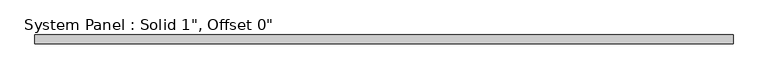
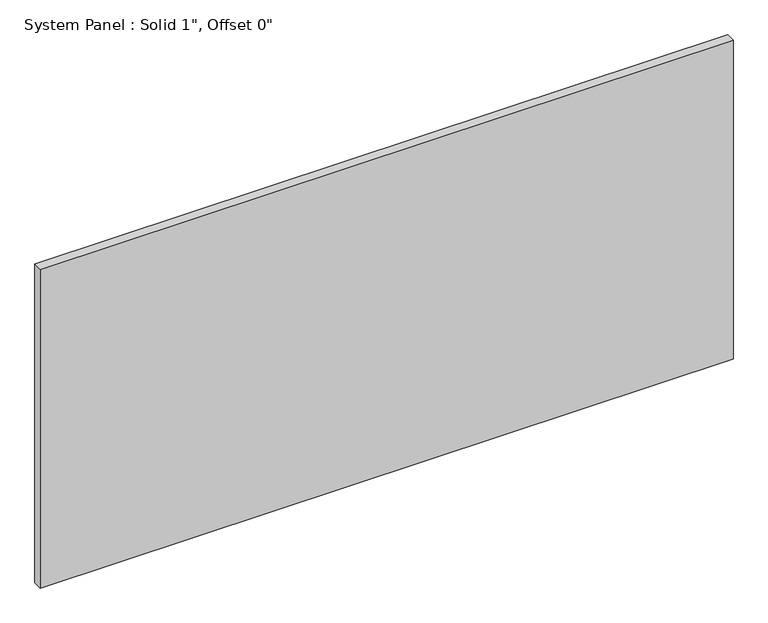
"""IFC4 building model written with IfcOpenShell, lengths in millimetres: plate geometry."""

import ifcopenshell
import ifcopenshell.guid

model = None  # the IFC model being written
_history = None  # IfcOwnerHistory: only IFC2X3 demands one
_inside = {}  # id of a spatial element -> (the spatial element, [elements in it])
_under = {}  # id of a project, library or spatial element -> (it, [spatial elements below it])
_declared = {}  # id of a project -> (the project, [libraries it declares])
_typed = {}  # id of a type object -> (the type object, [elements of that type])
_made_of = {}  # id of a material, layer set ... -> (it, [elements and type objects made of it])


def new_model(schema):
    """Start an empty IFC model of exactly this schema.

    Asked for "IFC4X3", IfcOpenShell would pick the latest addendum, in which some entities
    have other attributes; the version numbers below select the first issue.
    IFC2X3 requires an IfcOwnerHistory on every rooted entity: one is made here for all.
    """
    global model, _history
    if schema == "IFC4X3":
        model = ifcopenshell.file(schema_version=(4, 3, 0, 0))
    else:
        model = ifcopenshell.file(schema=schema)
    _inside.clear()
    _under.clear()
    _declared.clear()
    _typed.clear()
    _made_of.clear()
    _history = None
    if model.schema == "IFC2X3":
        org = make("IfcOrganization", Name="unknown")
        user = make(
            "IfcPersonAndOrganization",
            ThePerson=make("IfcPerson", FamilyName="unknown"),
            TheOrganization=org,
        )
        app = make(
            "IfcApplication",
            ApplicationDeveloper=org,
            Version="unknown",
            ApplicationFullName="unknown",
            ApplicationIdentifier="unknown",
        )
        _history = make(
            "IfcOwnerHistory",
            OwningUser=user,
            OwningApplication=app,
            ChangeAction="ADDED",
            CreationDate=0,
        )
    return model


def make(cls, **values):
    """One entity of the class cls with the attributes given. An attribute that is None is left unset."""
    return model.create_entity(
        cls, **{name: value for name, value in values.items() if value is not None}
    )


def rooted(cls, **values):
    """An entity with a GlobalId (a new one), such as an element, a storey or a relation."""
    return make(cls, GlobalId=ifcopenshell.guid.new(), OwnerHistory=_history, **values)


def si_unit(unit_type, name, prefix=None):
    """IfcSIUnit, for example si_unit("LENGTHUNIT", "METRE", prefix="MILLI")."""
    return make("IfcSIUnit", UnitType=unit_type, Prefix=prefix, Name=name)


def assignment(units):
    """IfcUnitAssignment: the units of a project."""
    return None if units is None else make("IfcUnitAssignment", Units=units)


def point(xyz):
    """IfcCartesianPoint."""
    return None if xyz is None else make("IfcCartesianPoint", Coordinates=xyz)


def direction(xyz):
    """IfcDirection."""
    return None if xyz is None else make("IfcDirection", DirectionRatios=xyz)


def frame(location, z_axis=None, x_axis=None):
    """IfcAxis2Placement3D, a coordinate frame: its origin and axes. An axis left out is left unset."""
    return make(
        "IfcAxis2Placement3D",
        Location=point(location),
        Axis=direction(z_axis),
        RefDirection=direction(x_axis),
    )


def origin():
    """The frame at (0, 0, 0) with its axes left unset."""
    return frame((0.0, 0.0, 0.0))


def origin_with_axes():
    """The frame at (0, 0, 0) with the z axis (0, 0, 1) and the x axis (1, 0, 0) written out."""
    return frame((0.0, 0.0, 0.0), z_axis=(0.0, 0.0, 1.0), x_axis=(1.0, 0.0, 0.0))


def place(relative_to, where):
    """IfcLocalPlacement: puts the frame where relative to a parent placement (None: the world)."""
    return make(
        "IfcLocalPlacement", PlacementRelTo=relative_to, RelativePlacement=where
    )


def context(
    kind, dimensions, precision=None, world=None, true_north=None, identifier=None
):
    """IfcGeometricRepresentationContext, for example the 3D "Model" context."""
    return make(
        "IfcGeometricRepresentationContext",
        ContextIdentifier=identifier,
        ContextType=kind,
        CoordinateSpaceDimension=dimensions,
        Precision=precision,
        WorldCoordinateSystem=world,
        TrueNorth=true_north,
    )


def project(units=None, contexts=None):
    """IfcProject with its units and contexts."""
    return rooted(
        "IfcProject",
        Name="project",
        RepresentationContexts=contexts,
        UnitsInContext=assignment(units),
    )


def spatial(cls, under=None, at=None, **own):
    """A site, building, storey or space (cls), placed at a placement, below another one or the project."""
    s = rooted(cls, ObjectPlacement=at, **own)
    if under is not None:
        _under.setdefault(under.id(), (under, []))[1].append(s)
    return s


def polyline(points):
    """IfcPolyline through the points."""
    return make("IfcPolyline", Points=[point(p) for p in points])


def outline(outer, holes=None, kind="AREA"):
    """IfcArbitraryClosedProfileDef: a profile drawn as a closed curve; with holes, ...WithVoids."""
    if holes is None:
        return make("IfcArbitraryClosedProfileDef", ProfileType=kind, OuterCurve=outer)
    return make(
        "IfcArbitraryProfileDefWithVoids",
        ProfileType=kind,
        OuterCurve=outer,
        InnerCurves=holes,
    )


def extrude(swept, where, along, depth):
    """IfcExtrudedAreaSolid: the profile swept, set in the frame where, extruded along a direction by depth."""
    return make(
        "IfcExtrudedAreaSolid",
        SweptArea=swept,
        Position=where,
        ExtrudedDirection=direction(along),
        Depth=depth,
    )


def shape(context_of_items, identifier, shape_type, items):
    """IfcShapeRepresentation: the items that make up one representation, for example the "Body"."""
    return make(
        "IfcShapeRepresentation",
        ContextOfItems=context_of_items,
        RepresentationIdentifier=identifier,
        RepresentationType=shape_type,
        Items=items,
    )


def source(mapping_origin, context_of_items, identifier, shape_type, items):
    """IfcRepresentationMap: a shape defined once, which mapped items show again and again."""
    return make(
        "IfcRepresentationMap",
        MappingOrigin=mapping_origin,
        MappedRepresentation=shape(context_of_items, identifier, shape_type, items),
    )


def transform(
    local_origin,
    x_axis=None,
    y_axis=None,
    z_axis=None,
    scale=None,
    scale2=None,
    scale3=None,
    uniform=True,
):
    """IfcCartesianTransformationOperator3D, or its non-uniform kind. x_axis, y_axis, z_axis: its Axis1, 2, 3."""
    if uniform:
        return make(
            "IfcCartesianTransformationOperator3D",
            Axis1=direction(x_axis),
            Axis2=direction(y_axis),
            LocalOrigin=point(local_origin),
            Scale=scale,
            Axis3=direction(z_axis),
        )
    return make(
        "IfcCartesianTransformationOperator3DnonUniform",
        Axis1=direction(x_axis),
        Axis2=direction(y_axis),
        LocalOrigin=point(local_origin),
        Scale=scale,
        Axis3=direction(z_axis),
        Scale2=scale2,
        Scale3=scale3,
    )


def mapped(mapping_source, mapping_target):
    """IfcMappedItem: shows the shape of a source again, moved by a transform."""
    return make(
        "IfcMappedItem", MappingSource=mapping_source, MappingTarget=mapping_target
    )


def made_of(thing, what):
    """Note that an element or type object is made of a material, layer set ...; save() writes the relation."""
    if what is not None:
        _made_of.setdefault(what.id(), (what, []))[1].append(thing)
    return thing


def element(
    cls,
    number,
    at=None,
    inside=None,
    cuts=None,
    type_object=None,
    material=None,
    context=None,
    identifier="Body",
    shape_type=None,
    held_by="IfcProductDefinitionShape",
    body=None,
    shapes=None,
    **own,
):
    """One element of the class cls, such as IfcWall. Its Tag is "e" and its number.

    at: its placement. inside: the storey or other place that contains it. cuts: it is an
    opening in that element (IfcRelVoidsElement). A single representation is given by context,
    identifier, shape_type and body (its items); several are given by shapes. held_by: the class
    of the entity that holds the representations. save() writes the other relations.
    """
    e = rooted(cls, Tag="e%d" % number, ObjectPlacement=at, **own)
    if body is not None:
        shapes = [shape(context, identifier, shape_type, body)]
    if shapes is not None:
        e.Representation = make(held_by, Representations=shapes)
    if inside is not None:
        _inside.setdefault(inside.id(), (inside, []))[1].append(e)
    if cuts is not None:
        rooted(
            "IfcRelVoidsElement", RelatingBuildingElement=cuts, RelatedOpeningElement=e
        )
    if type_object is not None:
        _typed.setdefault(type_object.id(), (type_object, []))[1].append(e)
    return made_of(e, material)


def aggregate(whole, parts):
    """IfcRelAggregates: a whole, such as a stair, and the parts it consists of."""
    return rooted("IfcRelAggregates", RelatingObject=whole, RelatedObjects=parts)


def save(model, path):
    """Write the relations noted so far, then the file.

    IfcRelAggregates (storeys below a building ...), IfcRelContainedInSpatialStructure (elements
    in a storey), IfcRelDefinesByType, IfcRelAssociatesMaterial and IfcRelDeclares: one each for
    every whole, place, type object, material and project.
    """
    for whole, parts in _under.values():
        aggregate(whole, parts)
    for where, things in _inside.values():
        rooted(
            "IfcRelContainedInSpatialStructure",
            RelatedElements=things,
            RelatingStructure=where,
        )
    for kind, things in _typed.values():
        rooted("IfcRelDefinesByType", RelatedObjects=things, RelatingType=kind)
    for what, things in _made_of.values():
        rooted("IfcRelAssociatesMaterial", RelatedObjects=things, RelatingMaterial=what)
    for by, libraries in _declared.values():
        rooted("IfcRelDeclares", RelatingContext=by, RelatedDefinitions=libraries)
    model.write(path)


def plate_7398cc73(model_context):
    return source(origin(), model_context, "Body", "SweptSolid", [
        extrude(outline(polyline([(976.1660647, -12.7), (-976.1660647, -12.7), (-976.1660647, 12.7), (976.1660647, 12.7), (976.1660647, -12.7)])), origin_with_axes(), (0.0, 0.0, 1.0), 949.9995022),
    ])


if __name__ == "__main__":
    model = new_model("IFC4")
    model_context = context("Model", 3, world=origin())
    ifc_project = project(units=[si_unit("LENGTHUNIT", "METRE", prefix="MILLI")], contexts=[model_context])
    site = spatial("IfcSite", under=ifc_project)
    building = spatial("IfcBuilding", under=site)
    placement = place(None, origin())
    plate_shape = plate_7398cc73(model_context)
    element("IfcPlate", 1, ObjectType="System Panel : Solid 1\", Offset 0\"", at=placement, inside=building, context=model_context, shape_type="MappedRepresentation", body=[
        mapped(plate_shape, transform((0.0, 0.0, 0.0), x_axis=(1.0, 0.0, 0.0), y_axis=(0.0, 1.0, 0.0), z_axis=(0.0, 0.0, 1.0))),
    ])
    save(model, "model.ifc")
